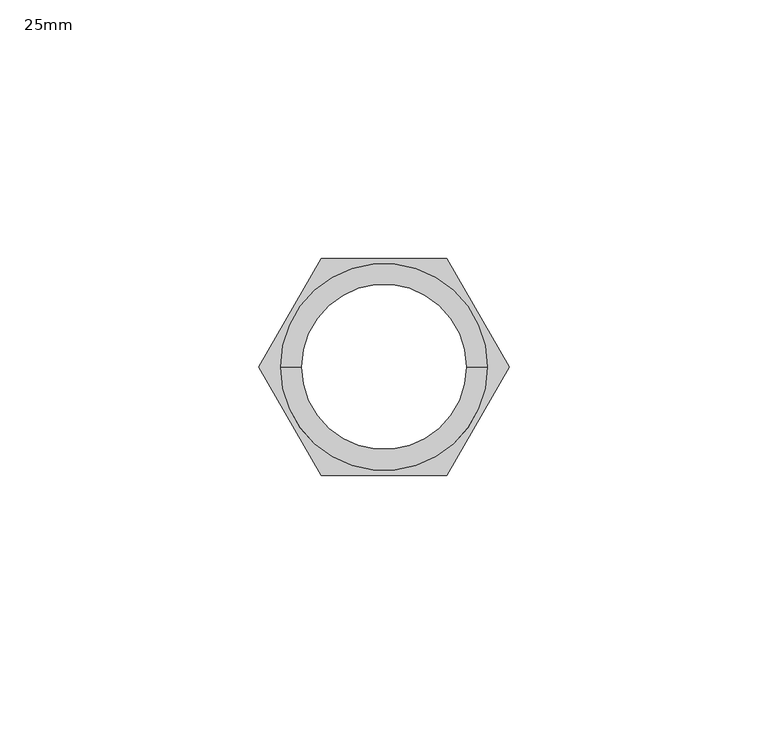
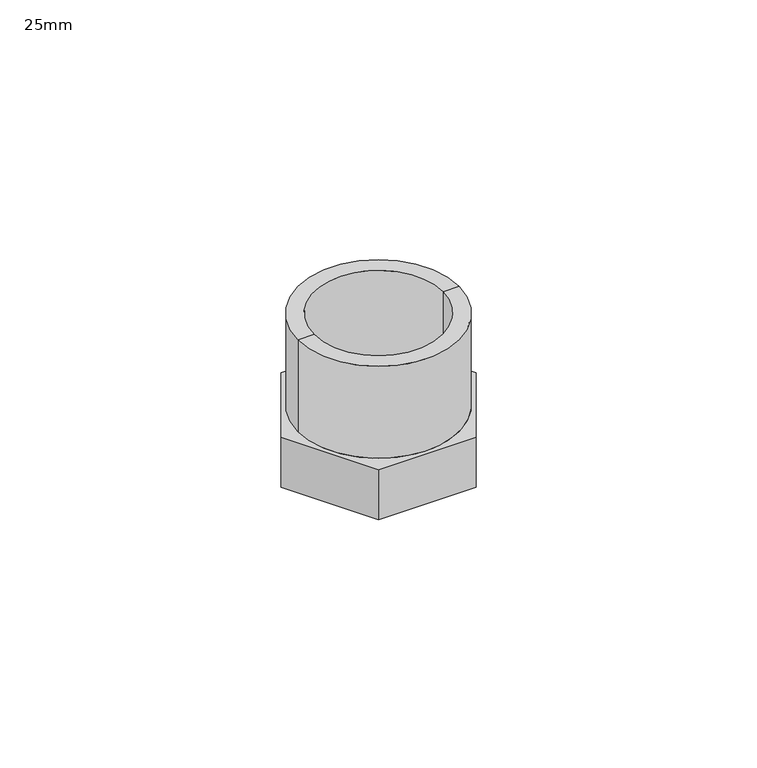
"""IFC4 building model written with IfcOpenShell, lengths in millimetres: proxy geometry, 25mm."""

from ifc_helpers import new_model, si_unit, frame, origin, place, context, project, spatial, polyline, circle_curve, source, transform, mapped, element, save
from ifc_brep_helpers import plane_surface, cylinder_surface, revolved_surface, advanced_brep


def proxy_25mm_95d4fcc2(model_context):
    return source(origin(), model_context, "Body", "AdvancedBrep", [
        advanced_brep(
        [(16.0, 0.0, 24.1486375), (-16.0, 0.0, 24.1486375), (-16.0, 0.0, 0.0), (16.0, 0.0, 0.0), (20.0, 0.0, 24.1486375), (-20.0, 0.0, 24.1486375), (20.0, 0.0, 0.0), (-20.0, 0.0, 0.0), (-24.2487113, 0.0, 0.0), (-12.1243557, -21.0, 0.0), (12.1243557, -21.0, 0.0), (24.2487113, 0.0, 0.0), (12.1243557, 21.0, 0.0), (-12.1243557, 21.0, 0.0), (-24.2487113, 0.0, -13.1197358), (-12.1243557, 21.0, -13.1197358), (12.1243557, 21.0, -13.1197358), (24.2487113, 0.0, -13.1197358), (12.1243557, -21.0, -13.1197358), (-12.1243557, -21.0, -13.1197358), (-16.0, 0.0, -13.1197358), (16.0, 0.0, -13.1197358)],
        [
            (0, 1, circle_curve(frame((0.0, 0.0, 24.1486375), z_axis=(0.0, 0.0, 1.0), x_axis=(-1.0, 0.0, 0.0)), 16.0)),
            (1, 2),
            (2, 3, circle_curve(frame((0.0, 0.0, 0.0), z_axis=(0.0, 0.0, -1.0), x_axis=(-1.0, 0.0, 0.0)), 16.0)),
            (3, 0),
            (1, 0, circle_curve(frame((0.0, 0.0, 24.1486375), z_axis=(0.0, 0.0, 1.0), x_axis=(-1.0, 0.0, 0.0)), 16.0)),
            (3, 2, circle_curve(frame((0.0, 0.0, 0.0), z_axis=(0.0, 0.0, -1.0), x_axis=(-1.0, 0.0, 0.0)), 16.0)),
            (0, 4),
            (4, 5, circle_curve(frame((0.0, 0.0, 24.1486375), z_axis=(0.0, 0.0, 1.0), x_axis=(-1.0, 0.0, 0.0)), 20.0)),
            (5, 1),
            (5, 4, circle_curve(frame((0.0, 0.0, 24.1486375), z_axis=(0.0, 0.0, 1.0), x_axis=(-1.0, 0.0, 0.0)), 20.0)),
            (4, 6),
            (6, 7, circle_curve(frame((0.0, 0.0, 0.0), z_axis=(0.0, 0.0, 1.0), x_axis=(-1.0, 0.0, 0.0)), 20.0)),
            (7, 5),
            (7, 6, circle_curve(frame((0.0, 0.0, 0.0), z_axis=(0.0, 0.0, 1.0), x_axis=(-1.0, 0.0, 0.0)), 20.0)),
            (8, 9),
            (9, 10),
            (10, 11),
            (11, 12),
            (12, 13),
            (13, 8),
            (14, 15),
            (15, 16),
            (16, 17),
            (17, 18),
            (18, 19),
            (19, 14),
            (20, 21, circle_curve(frame((0.0, 0.0, -13.1197358), z_axis=(0.0, 0.0, 1.0), x_axis=(1.0, 0.0, 0.0)), 16.0)),
            (21, 20, circle_curve(frame((0.0, 0.0, -13.1197358), z_axis=(0.0, 0.0, 1.0), x_axis=(1.0, 0.0, 0.0)), 16.0)),
            (8, 14),
            (19, 9),
            (18, 10),
            (17, 11),
            (16, 12),
            (15, 13),
            (21, 3),
            (2, 20),
        ],
        [
            revolved_surface(polyline([(-16.0, 0.0, 0.0), (-16.0, 0.0, 24.14863749999995)]), (0.0, 0.0, 2609.0581012), (0.0, 0.0, -1.0)),
            plane_surface(frame((0.0, 0.0, 24.1486375), z_axis=(0.0, 0.0, 1.0), x_axis=(-1.0, 0.0, 0.0))),
            cylinder_surface(frame((0.0, 0.0, 2609.0581012), z_axis=(0.0, 0.0, -1.0), x_axis=(-1.0, 0.0, 0.0)), 20.0),
            plane_surface(frame((-12.1243557, -21.0, 0.0), z_axis=(0.0, 0.0, 1.0), x_axis=(0.499999999999996, -0.866025403784441, 0.0))),
            plane_surface(frame((-12.1243557, -21.0, -13.1197358), z_axis=(0.0, 0.0, -1.0), x_axis=(-0.499999999999996, 0.866025403784441, 0.0))),
            plane_surface(frame((-24.2487113, 0.0, 0.0), z_axis=(-0.866025403784441, -0.499999999999996, 0.0), x_axis=(0.0, 0.0, -1.0))),
            plane_surface(frame((-12.1243557, -21.0, 0.0), z_axis=(0.0, -1.0, 0.0), x_axis=(0.0, 0.0, -1.0))),
            plane_surface(frame((12.1243557, -21.0, 0.0), z_axis=(0.8660254037844378, -0.5000000000000014, 0.0), x_axis=(0.0, 0.0, -1.0))),
            plane_surface(frame((24.2487113, 0.0, 0.0), z_axis=(0.8660254037844378, 0.5000000000000014, 0.0), x_axis=(0.0, 0.0, -1.0))),
            plane_surface(frame((12.1243557, 21.0, 0.0), z_axis=(0.0, 1.0, 0.0), x_axis=(0.0, 0.0, -1.0))),
            plane_surface(frame((-12.1243557, 21.0, 0.0), z_axis=(-0.866025403784441, 0.49999999999999584, 0.0), x_axis=(0.0, 0.0, -1.0))),
            revolved_surface(polyline([(16.0, 0.0, -13.1197358), (16.0, 0.0, 0.0)]), (0.0, 0.0, 0.0), (0.0, 0.0, -1.0)),
        ],
        [
            (0, [[1, 2, 3, 4]]),
            (0, [[-2, 5, -4, 6]]),
            (1, [[-1, 7, 8, 9]]),
            (1, [[-5, -9, 10, -7]]),
            (2, [[-8, 11, 12, 13]]),
            (2, [[-10, -13, 14, -11]]),
            (3, [[15, 16, 17, 18, 19, 20], [-12, -14]]),
            (4, [[21, 22, 23, 24, 25, 26], [27, 28]]),
            (5, [[-15, 29, -26, 30]]),
            (6, [[-16, -30, -25, 31]]),
            (7, [[-17, -31, -24, 32]]),
            (8, [[-18, -32, -23, 33]]),
            (9, [[-19, -33, -22, 34]]),
            (10, [[-20, -34, -21, -29]]),
            (11, [[-28, 35, -3, 36]]),
            (11, [[-27, -36, -6, -35]]),
        ],
    ),
    ])


if __name__ == "__main__":
    model = new_model("IFC4")
    model_context = context("Model", 3, world=origin())
    ifc_project = project(units=[si_unit("LENGTHUNIT", "METRE", prefix="MILLI")], contexts=[model_context])
    site = spatial("IfcSite", under=ifc_project)
    building = spatial("IfcBuilding", under=site)
    placement = place(None, origin())
    proxy_25mm_shape = proxy_25mm_95d4fcc2(model_context)
    element("IfcBuildingElementProxy", 1, Name="25mm", ObjectType="25mm", at=placement, inside=building, context=model_context, shape_type="MappedRepresentation", body=[
        mapped(proxy_25mm_shape, transform((0.0, 0.0, 0.0), x_axis=(1.0, 0.0, 0.0), y_axis=(0.0, 1.0, 0.0), z_axis=(0.0, 0.0, 1.0))),
    ])
    save(model, "model.ifc")
